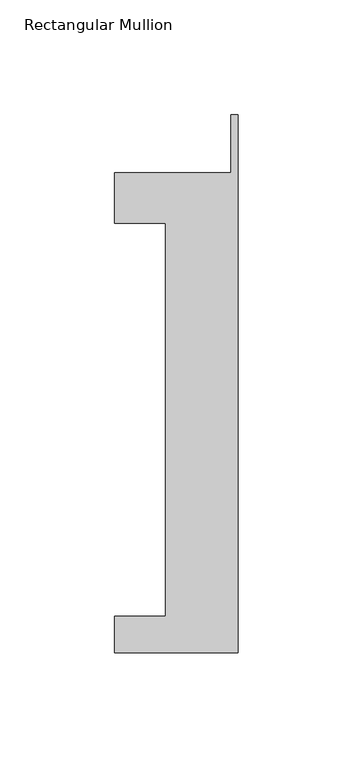
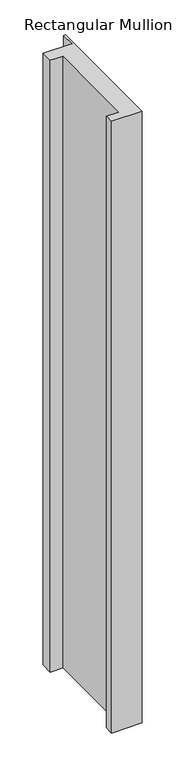
"""IFC4 building model written with IfcOpenShell, lengths in millimetres: member geometry, Rectangular Mullion."""

from ifc_helpers import new_model, si_unit, frame, origin, place, context, project, spatial, polyline, outline, extrude, source, transform, mapped, element, save


def rectangular_mullion_fa906662(model_context):
    return source(origin(), model_context, "Body", "SweptSolid", [
        extrude(outline(polyline([(-53.975, -221.996), (-53.975, -206.121), (-31.75, -206.121), (-31.75, -34.671), (-53.975, -34.671), (-53.975, -12.7), (-3.175, -12.7), (-3.175, 12.7), (0.0, 12.7), (0.0, -221.996), (-53.975, -221.996)])), frame((0.0, 0.0, -1139.825), z_axis=(0.0, 0.0, 1.0), x_axis=(1.0, 0.0, 0.0)), (0.0, 0.0, 1.0), 1139.825),
    ])


if __name__ == "__main__":
    model = new_model("IFC4")
    model_context = context("Model", 3, world=origin())
    ifc_project = project(units=[si_unit("LENGTHUNIT", "METRE", prefix="MILLI")], contexts=[model_context])
    site = spatial("IfcSite", under=ifc_project)
    building = spatial("IfcBuilding", under=site)
    placement = place(None, origin())
    rectangular_mullion_shape = rectangular_mullion_fa906662(model_context)
    element("IfcMember", 1, ObjectType="Rectangular Mullion", at=placement, inside=building, context=model_context, shape_type="MappedRepresentation", body=[
        mapped(rectangular_mullion_shape, transform((0.0, 0.0, 0.0), x_axis=(1.0, 0.0, 0.0), y_axis=(0.0, 1.0, 0.0), z_axis=(0.0, 0.0, 1.0))),
    ])
    save(model, "model.ifc")
